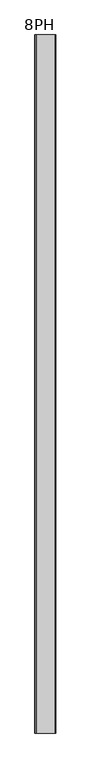
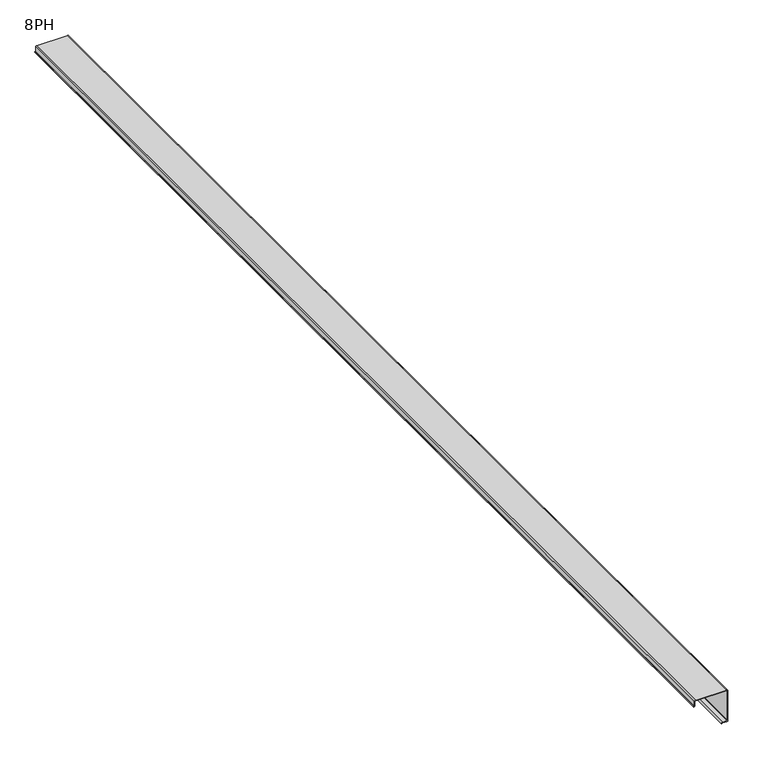
"""IFC4 building model written with IfcOpenShell, lengths in millimetres: proxy geometry, 8PH."""

from ifc_helpers import new_model, si_unit, frame, origin, place, context, project, spatial, polyline, circle_curve, source, transform, mapped, element, save
from ifc_brep_helpers import plane_surface, cylinder_surface, revolved_surface, advanced_brep


def proxy_8ph_21afd812(model_context):
    return source(origin(), model_context, "Body", "AdvancedBrep", [
        advanced_brep(
        [(-88.9, 1879.6, -14.2874999), (-88.9, 1879.6, -2.6873034), (-85.7249999, 1879.6, 0.0), (-4.7836667, 1879.6, 0.0), (-0.0423333, 1879.6, -4.8048333), (0.0, 1879.6, -85.7673333), (-2.6873034, 1879.6, -88.9423333), (-14.3086667, 1879.6, -88.9423333), (-15.9173333, 1879.6, -90.5298346), (-17.526, 1879.6, -90.5298346), (-14.3086667, 1879.6, -87.3336667), (-2.8412034, 1879.6, -87.3336667), (-1.6086667, 1879.6, -85.7673333), (-1.6086667, 1879.6, -4.7836667), (-4.8048333, 1879.6, -1.6086667), (-85.7249999, 1879.6, -1.6086667), (-87.3336667, 1879.6, -3.1961666), (-87.3336667, 1879.6, -14.3086666), (-90.5298333, 1879.6, -17.5259999), (-90.5298333, 1879.6, -15.9173332), (-88.9, -1141.4125, -14.2874999), (-90.5298333, -1141.4125, -15.9173332), (-90.5298333, -1141.4125, -17.5259999), (-87.3336667, -1141.4125, -14.3086666), (-87.3336667, -1141.4125, -3.1961666), (-85.7249999, -1141.4125, -1.6086667), (-4.8048333, -1141.4125, -1.6086667), (-1.6086667, -1141.4125, -4.7836667), (-1.6086667, -1141.4125, -85.7673333), (-2.8412034, -1141.4125, -87.3336667), (-14.3086667, -1141.4125, -87.3336667), (-17.526, -1141.4125, -90.5298346), (-15.9173333, -1141.4125, -90.5298346), (-14.3086667, -1141.4125, -88.9423333), (-2.6873034, -1141.4125, -88.9423333), (0.0, -1141.4125, -85.7673333), (0.0, -1141.4125, -4.7836667), (-4.8048333, -1141.4125, -0.0423333), (-85.7249999, -1141.4125, 0.0), (-88.9, -1141.4125, -2.6873034)],
        [
            (0, 1),
            (1, 2, circle_curve(frame((-85.7355834, 1879.6, -3.2067499), z_axis=(0.0, 1.0, 0.0), x_axis=(1.0, 0.0, 0.0)), 3.2067674)),
            (2, 3),
            (3, 4, circle_curve(frame((-4.804833, 1879.6, -4.804833), z_axis=(0.0, 1.0, 0.0), x_axis=(1.0, 0.0, 0.0)), 4.7624997)),
            (4, 5),
            (5, 6, circle_curve(frame((-3.2067499, 1879.6, -85.7779167), z_axis=(0.0, 1.0, 0.0), x_axis=(1.0, 0.0, 0.0)), 3.2067674)),
            (6, 7),
            (7, 8, circle_curve(frame((-14.3192501, 1879.6, -90.5404166), z_axis=(0.0, -1.0, 0.0), x_axis=(1.0, 0.0, 0.0)), 1.5981183)),
            (8, 9),
            (9, 10, circle_curve(frame((-14.3192501, 1879.6, -90.5404166), z_axis=(0.0, 1.0, 0.0), x_axis=(1.0, 0.0, 0.0)), 3.2067674)),
            (10, 11),
            (11, 12, circle_curve(frame((-3.2067499, 1879.6, -85.7779167), z_axis=(0.0, -1.0, 0.0), x_axis=(1.0, 0.0, 0.0)), 1.5981183)),
            (12, 13),
            (13, 14, circle_curve(frame((-4.7942499, 1879.6, -4.7942499), z_axis=(0.0, -1.0, 0.0), x_axis=(1.0, 0.0, 0.0)), 3.1856008)),
            (14, 15),
            (15, 16, circle_curve(frame((-85.7355834, 1879.6, -3.2067499), z_axis=(0.0, -1.0, 0.0), x_axis=(1.0, 0.0, 0.0)), 1.5981183)),
            (16, 17),
            (17, 18, circle_curve(frame((-90.5404166, 1879.6, -14.31925), z_axis=(0.0, 1.0, 0.0), x_axis=(1.0, 0.0, 0.0)), 3.2067674)),
            (18, 19),
            (19, 0, circle_curve(frame((-90.5298333, 1879.6, -14.2874999), z_axis=(0.0, -1.0, 0.0), x_axis=(1.0, 0.0, 0.0)), 1.6298333)),
            (20, 21, circle_curve(frame((-90.5298333, -1141.4125, -14.2874999), z_axis=(0.0, 1.0, 0.0), x_axis=(1.0, 0.0, 0.0)), 1.6298333)),
            (21, 22),
            (22, 23, circle_curve(frame((-90.5404166, -1141.4125, -14.31925), z_axis=(0.0, -1.0, 0.0), x_axis=(1.0, 0.0, 0.0)), 3.2067674)),
            (23, 24),
            (24, 25, circle_curve(frame((-85.7355834, -1141.4125, -3.2067499), z_axis=(0.0, 1.0, 0.0), x_axis=(1.0, 0.0, 0.0)), 1.5981183)),
            (25, 26),
            (26, 27, circle_curve(frame((-4.7942499, -1141.4125, -4.7942499), z_axis=(0.0, 1.0, 0.0), x_axis=(1.0, 0.0, 0.0)), 3.1856008)),
            (27, 28),
            (28, 29, circle_curve(frame((-3.2067499, -1141.4125, -85.7779167), z_axis=(0.0, 1.0, 0.0), x_axis=(1.0, 0.0, 0.0)), 1.5981183)),
            (29, 30),
            (30, 31, circle_curve(frame((-14.3192501, -1141.4125, -90.5404166), z_axis=(0.0, -1.0, 0.0), x_axis=(1.0, 0.0, 0.0)), 3.2067674)),
            (31, 32),
            (32, 33, circle_curve(frame((-14.3192501, -1141.4125, -90.5404166), z_axis=(0.0, 1.0, 0.0), x_axis=(1.0, 0.0, 0.0)), 1.5981183)),
            (33, 34),
            (34, 35, circle_curve(frame((-3.2067499, -1141.4125, -85.7779167), z_axis=(0.0, -1.0, 0.0), x_axis=(1.0, 0.0, 0.0)), 3.2067674)),
            (35, 36),
            (36, 37, circle_curve(frame((-4.804833, -1141.4125, -4.804833), z_axis=(0.0, -1.0, 0.0), x_axis=(1.0, 0.0, 0.0)), 4.7624997)),
            (37, 38),
            (38, 39, circle_curve(frame((-85.7355834, -1141.4125, -3.2067499), z_axis=(0.0, -1.0, 0.0), x_axis=(1.0, 0.0, 0.0)), 3.2067674)),
            (39, 20),
            (0, 20),
            (39, 1),
            (38, 2),
            (37, 3),
            (36, 4),
            (35, 5),
            (34, 6),
            (33, 7),
            (32, 8),
            (31, 9),
            (30, 10),
            (29, 11),
            (28, 12),
            (27, 13),
            (26, 14),
            (25, 15),
            (24, 16),
            (23, 17),
            (22, 18),
            (21, 19),
        ],
        [
            plane_surface(frame((0.0, 1879.6, 0.0), z_axis=(0.0, 1.0, 0.0), x_axis=(0.0, 0.0, 1.0))),
            plane_surface(frame((0.0, -1141.4125, 0.0), z_axis=(0.0, -1.0, 0.0), x_axis=(0.0, 0.0, 1.0))),
            plane_surface(frame((-88.9, 1879.6, -14.2874999), z_axis=(-1.0, 0.0, 0.0), x_axis=(0.0, -1.0, 0.0))),
            cylinder_surface(frame((-85.7355834, 1879.6, -3.2067499), z_axis=(0.0, 1.0, 0.0), x_axis=(1.0, 0.0, 0.0)), 3.2067674),
            plane_surface(frame((-85.7249999, 1879.6, 0.0), z_axis=(0.0, 0.0, 1.0), x_axis=(0.0, -1.0, 0.0))),
            cylinder_surface(frame((-4.804833, 1879.6, -4.804833), z_axis=(0.0, 1.0, 0.0), x_axis=(1.0, 0.0, 0.0)), 4.7624997),
            plane_surface(frame((0.0, 1879.6, -4.7836667), z_axis=(1.0, 0.0, 0.0), x_axis=(0.0, -1.0, 0.0))),
            cylinder_surface(frame((-3.2067499, 1879.6, -85.7779167), z_axis=(0.0, 1.0, 0.0), x_axis=(1.0, 0.0, 0.0)), 3.2067674),
            plane_surface(frame((-2.6873034, 1879.6, -88.9423333), z_axis=(0.0, 0.0, -1.0), x_axis=(0.0, -1.0, 0.0))),
            revolved_surface(polyline([(-12.7211318, -1141.4125, -90.5404166), (-12.7211318, 1879.6, -90.5404166)]), (-14.3192501, 1879.6, -90.5404166), (0.0, -1.0, 0.0)),
            plane_surface(frame((-15.9173333, 1879.6, -90.5298346), z_axis=(0.0, 0.0, -1.0), x_axis=(0.0, -1.0, 0.0))),
            cylinder_surface(frame((-14.3192501, 1879.6, -90.5404166), z_axis=(0.0, 1.0, 0.0), x_axis=(1.0, 0.0, 0.0)), 3.2067674),
            plane_surface(frame((-14.3086667, 1879.6, -87.3336667), z_axis=(0.0, 0.0, 1.0), x_axis=(0.0, -1.0, 0.0))),
            revolved_surface(polyline([(-1.6086316, -1141.4125, -85.7779167), (-1.6086316, 1879.6, -85.7779167)]), (-3.2067499, 1879.6, -85.7779167), (0.0, -1.0, 0.0)),
            plane_surface(frame((-1.6086667, 1879.6, -85.7673333), z_axis=(-1.0, 0.0, 0.0), x_axis=(0.0, -1.0, 0.0))),
            revolved_surface(polyline([(-1.6086490999999996, -1141.4125, -4.7942499), (-1.6086490999999996, 1879.6, -4.7942499)]), (-4.7942499, 1879.6, -4.7942499), (0.0, -1.0, 0.0)),
            plane_surface(frame((-4.8048333, 1879.6, -1.6086667), z_axis=(0.0, 0.0, -1.0), x_axis=(0.0, -1.0, 0.0))),
            revolved_surface(polyline([(-84.1374651, -1141.4125, -3.2067499), (-84.1374651, 1879.6, -3.2067499)]), (-85.7355834, 1879.6, -3.2067499), (0.0, -1.0, 0.0)),
            plane_surface(frame((-87.3336667, 1879.6, -3.1961666), z_axis=(1.0, 0.0, 0.0), x_axis=(0.0, -1.0, 0.0))),
            cylinder_surface(frame((-90.5404166, 1879.6, -14.31925), z_axis=(0.0, 1.0, 0.0), x_axis=(1.0, 0.0, 0.0)), 3.2067674),
            plane_surface(frame((-90.5298333, 1879.6, -17.5259999), z_axis=(-1.0, 0.0, 0.0), x_axis=(0.0, -1.0, 0.0))),
            revolved_surface(polyline([(-88.9, -1141.4125, -14.2874999), (-88.9, 1879.6, -14.2874999)]), (-90.5298333, 1879.6, -14.2874999), (0.0, -1.0, 0.0)),
        ],
        [
            (0, [[1, 2, 3, 4, 5, 6, 7, 8, 9, 10, 11, 12, 13, 14, 15, 16, 17, 18, 19, 20]]),
            (1, [[21, 22, 23, 24, 25, 26, 27, 28, 29, 30, 31, 32, 33, 34, 35, 36, 37, 38, 39, 40]]),
            (2, [[-1, 41, -40, 42]]),
            (3, [[-2, -42, -39, 43]]),
            (4, [[-3, -43, -38, 44]]),
            (5, [[-4, -44, -37, 45]]),
            (6, [[-5, -45, -36, 46]]),
            (7, [[-6, -46, -35, 47]]),
            (8, [[-7, -47, -34, 48]]),
            (9, [[-8, -48, -33, 49]]),
            (10, [[-9, -49, -32, 50]]),
            (11, [[-10, -50, -31, 51]]),
            (12, [[-11, -51, -30, 52]]),
            (13, [[-12, -52, -29, 53]]),
            (14, [[-13, -53, -28, 54]]),
            (15, [[-14, -54, -27, 55]]),
            (16, [[-15, -55, -26, 56]]),
            (17, [[-16, -56, -25, 57]]),
            (18, [[-17, -57, -24, 58]]),
            (19, [[-18, -58, -23, 59]]),
            (20, [[-19, -59, -22, 60]]),
            (21, [[-20, -60, -21, -41]]),
        ],
    ),
    ])


if __name__ == "__main__":
    model = new_model("IFC4")
    model_context = context("Model", 3, world=origin())
    ifc_project = project(units=[si_unit("LENGTHUNIT", "METRE", prefix="MILLI")], contexts=[model_context])
    site = spatial("IfcSite", under=ifc_project)
    building = spatial("IfcBuilding", under=site)
    placement = place(None, origin())
    proxy_8ph_shape = proxy_8ph_21afd812(model_context)
    element("IfcBuildingElementProxy", 1, Name="8PH", ObjectType="8PH", at=placement, inside=building, context=model_context, shape_type="MappedRepresentation", body=[
        mapped(proxy_8ph_shape, transform((0.0, 0.0, 0.0), x_axis=(1.0, 0.0, 0.0), y_axis=(0.0, 1.0, 0.0), z_axis=(0.0, 0.0, 1.0))),
    ])
    save(model, "model.ifc")
